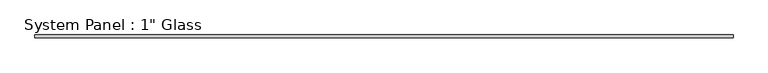
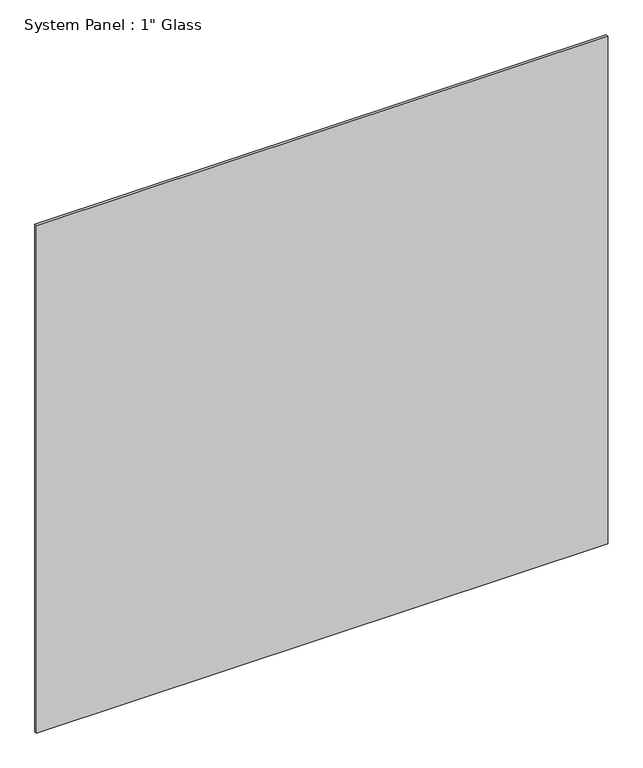
"""IFC4 building model written with IfcOpenShell, lengths in millimetres: plate geometry."""

from ifc_helpers import new_model, si_unit, origin, origin_with_axes, place, context, project, spatial, polyline, outline, extrude, source, transform, mapped, element, save


def plate_19e30dbf(model_context):
    return source(origin(), model_context, "Body", "SweptSolid", [
        extrude(outline(polyline([(740.5687498, -12.7), (-740.5687498, -12.7), (-740.5687498, -6.35), (740.5687498, -6.35), (740.5687498, -12.7)])), origin_with_axes(), (0.0, 0.0, 1.0), 1390.6459335),
    ])


if __name__ == "__main__":
    model = new_model("IFC4")
    model_context = context("Model", 3, world=origin())
    ifc_project = project(units=[si_unit("LENGTHUNIT", "METRE", prefix="MILLI")], contexts=[model_context])
    site = spatial("IfcSite", under=ifc_project)
    building = spatial("IfcBuilding", under=site)
    placement = place(None, origin())
    plate_shape = plate_19e30dbf(model_context)
    element("IfcPlate", 1, ObjectType="System Panel : 1\" Glass", at=placement, inside=building, context=model_context, shape_type="MappedRepresentation", body=[
        mapped(plate_shape, transform((0.0, 0.0, 0.0), x_axis=(1.0, 0.0, 0.0), y_axis=(0.0, 1.0, 0.0), z_axis=(0.0, 0.0, 1.0))),
    ])
    save(model, "model.ifc")
